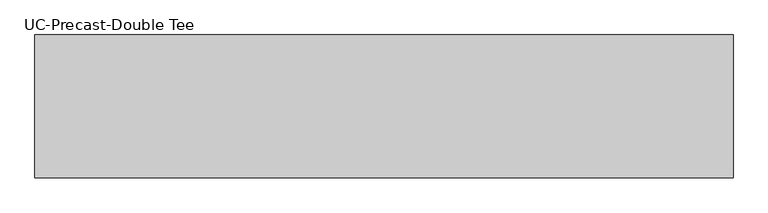
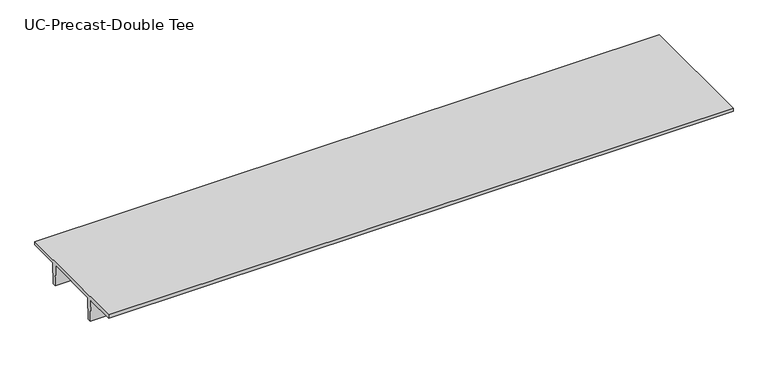
"""IFC4 building model written with IfcOpenShell, lengths in millimetres: beam geometry, UC-Precast-Double Tee."""

from ifc_helpers import new_model, si_unit, frame, origin, place, context, project, spatial, polyline, outline, extrude, source, transform, mapped, element, save


def uc_precast_double_tee_81af6a3b(model_context):
    return source(origin(), model_context, "Body", "SweptSolid", [
        extrude(outline(polyline([(1905.0, 381.0), (1905.0, 279.4), (990.6, 279.4), (965.2, -381.0), (863.6, -381.0), (838.2, 279.4), (-838.2, 279.4), (-863.6, -381.0), (-965.2, -381.0), (-990.6, 279.4), (-1905.0, 279.4), (-1905.0, 381.0), (1905.0, 381.0)])), frame((-9474.1999994, 0.0, 0.0), z_axis=(1.0, 0.0, 0.0), x_axis=(0.0, 1.0, 0.0)), (0.0, 0.0, 1.0), 18643.5999994),
    ])


if __name__ == "__main__":
    model = new_model("IFC4")
    model_context = context("Model", 3, world=origin())
    ifc_project = project(units=[si_unit("LENGTHUNIT", "METRE", prefix="MILLI")], contexts=[model_context])
    site = spatial("IfcSite", under=ifc_project)
    building = spatial("IfcBuilding", under=site)
    placement = place(None, origin())
    uc_precast_double_tee_shape = uc_precast_double_tee_81af6a3b(model_context)
    element("IfcBeam", 1, ObjectType="UC-Precast-Double Tee", at=placement, inside=building, context=model_context, shape_type="MappedRepresentation", body=[
        mapped(uc_precast_double_tee_shape, transform((0.0, 0.0, 0.0), x_axis=(1.0, 0.0, 0.0), y_axis=(0.0, 1.0, 0.0), z_axis=(0.0, 0.0, 1.0))),
    ])
    save(model, "model.ifc")
